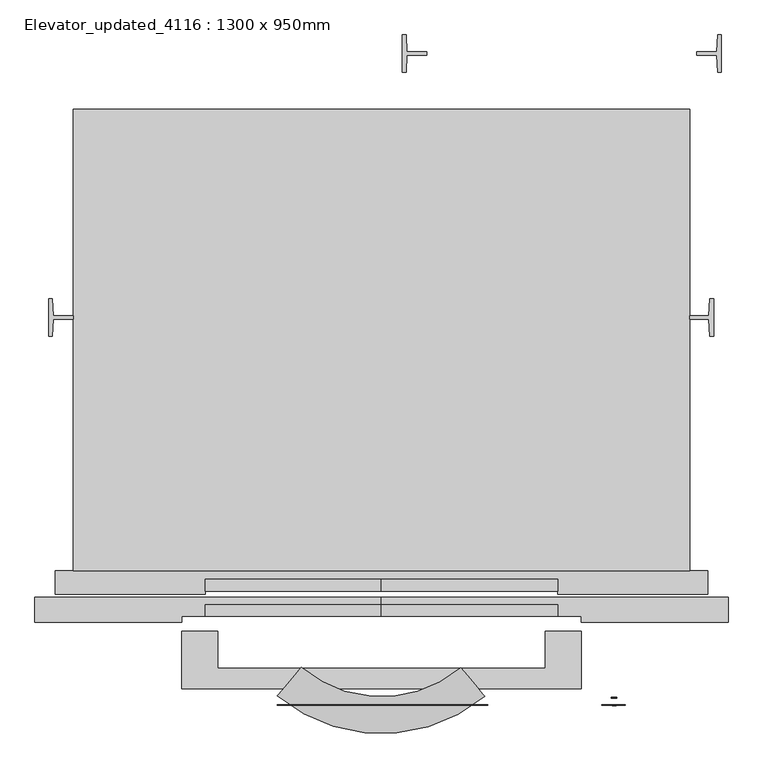
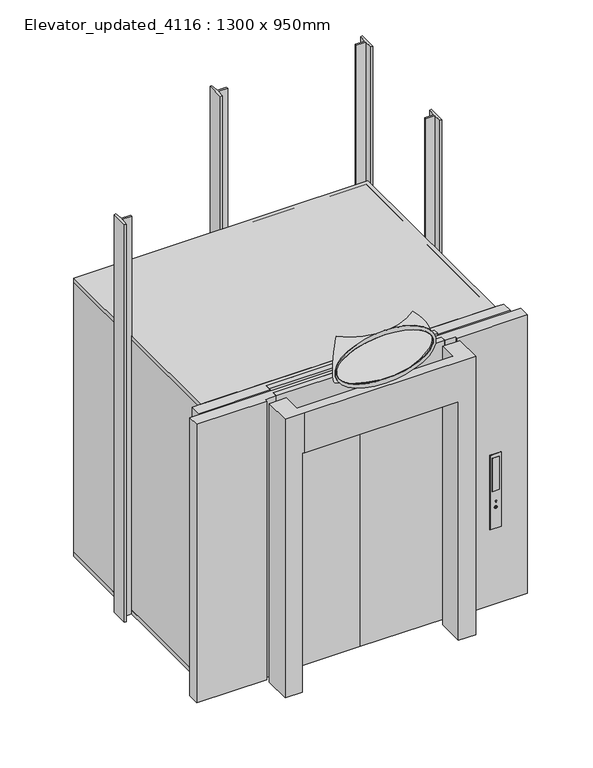
"""IFC4 building model written with IfcOpenShell, lengths in millimetres: proxy geometry, Elevator_updated_4116 : 1300 x 950mm."""

from ifc_helpers import new_model, si_unit, point, frame, frame_2d, origin, origin_with_axes, place, context, project, spatial, polyline, circle_curve, ellipse_curve, trimmed, segment, composite_curve, outline, extrude, faceted_brep, source, transform, mapped, element, save
from ifc_brep_helpers import plane_surface, revolved_surface, extruded_surface, advanced_brep


def elevator_updated_4116_1300_x_950mm_07558fe1(model_context):
    return source(origin(), model_context, "Body", "SolidModel", [
        advanced_brep(
        [(500.8311755, -452.698127, 2539.1396764), (500.8311755, -452.698127, 2199.1396764), (-42.5298936, -450.9235844, 2539.1396764), (-42.5298936, -450.9235844, 2199.1396764)],
        [
            (0, 1, circle_curve(frame((468.7185736, -414.1006251, 2369.1396764), z_axis=(0.768730212995733, 0.6395731855132256, 0.0), x_axis=(-0.6395731855132256, 0.768730212995733, 0.0)), 177.259658)),
            (1, 0),
            (2, 3),
            (3, 2, circle_curve(frame((-10.1658711, -412.5366542, 2369.1396764), z_axis=(-0.7645363428998604, 0.6445806236502203, 0.0), x_axis=(0.6445806236502203, 0.7645363428998604, 0.0)), 177.259658)),
            (3, 1, circle_curve(frame((230.2100339, -127.4270673, 2199.1396764), z_axis=(0.0, 0.0, 1.0), x_axis=(0.6395731855132256, -0.768730212995733, 0.0)), 423.1277166)),
            (0, 2, circle_curve(frame((230.2100339, -127.4270673, 2539.1396764), z_axis=(0.0, 0.0, -1.0), x_axis=(0.6395731855132256, -0.768730212995733, 0.0)), 423.1277166)),
        ],
        [
            plane_surface(frame((230.2100339, -127.4270673, 1800.0), z_axis=(0.7687302129957331, 0.6395731855132257, 0.0), x_axis=(0.6395731855132257, -0.7687302129957331, 0.0))),
            plane_surface(frame((230.2100339, -127.4270673, 1800.0), z_axis=(-0.7645363428998605, 0.6445806236502204, 0.0), x_axis=(-0.6445806236502204, -0.7645363428998605, 0.0))),
            revolved_surface(trimmed(ellipse_curve(frame((468.7185736, -414.1006251, 2369.1396764), z_axis=(0.768730212995733, 0.6395731855132256, 0.0), x_axis=(-0.6395731855132256, 0.768730212995733, 0.0)), 177.259658, 177.259658), [point((500.8311755, -452.698127, 2539.1396764))], [point((500.8311755, -452.698127, 2199.1396764))], True, "CARTESIAN"), (230.2100339, -127.4270673, 1800.0), (0.0, 0.0, -1.0)),
            revolved_surface(polyline([(500.83117548479936, -452.6981270063161, 2199.1396764), (500.83117548479936, -452.6981270063161, 2539.1396764)]), (230.2100339, -127.4270673, 1800.0), (0.0, 0.0, -1.0)),
        ],
        [
            (0, [[1, 2]]),
            (1, [[3, 4]]),
            (2, [[5, -1, 6, -4]]),
            (3, [[-6, -2, -5, -3]]),
        ],
    ),
        extrude(outline(polyline([(1387.8068056, 1575.5467426), (1374.8068533, 1575.5467426), (1371.8068533, 1632.7467425), (1304.3067824, 1632.7467425), (1304.3067824, 1645.2423587), (1371.893071, 1645.2423587), (1374.8068532, 1702.5467426), (1387.8068056, 1702.5467426), (1387.8068056, 1575.5467426)])), origin_with_axes(), (0.0, 0.0, 1.0), 3000.0),
        extrude(outline(polyline([(300.8067593, 1575.5467426), (300.8067593, 1702.5467426), (313.8067116, 1702.5467426), (316.7204939, 1645.2423587), (384.3067824, 1645.2423587), (384.3067824, 1632.7467425), (316.8067116, 1632.7467425), (313.8067116, 1575.5467426), (300.8067593, 1575.5467426)])), origin_with_axes(), (0.0, 0.0, 1.0), 3000.0),
        extrude(outline(polyline([(1361.2100334, 676.4135645), (1348.2100334, 676.4135645), (1345.2100334, 733.6132247), (1280.2100339, 733.6132247), (1280.2100339, 746.1088408), (1345.2962512, 746.1088408), (1348.2100334, 803.4135645), (1361.2100334, 803.4135645), (1361.2100334, 676.4135645)])), origin_with_axes(), (0.0, 0.0, 1.0), 3000.0),
        extrude(outline(polyline([(-903.2899892, 676.4132248), (-903.2899892, 803.4132248), (-890.2900369, 803.4132248), (-887.3762547, 746.1088408), (-819.7899661, 746.1088408), (-819.7899661, 733.6132247), (-887.2900369, 733.6132247), (-890.2900369, 676.4132248), (-903.2899892, 676.4132248)])), origin_with_axes(), (0.0, 0.0, 1.0), 3000.0),
        faceted_brep([(-310.0035134, -523.0264029, 2100.0), (910.4235812, -523.0264029, 2100.0), (910.4235812, -327.6050169, 2100.0), (787.4235812, -327.6050169, 2100.0), (787.4235812, -453.0264029, 2100.0), (-327.0035134, -453.0264029, 2100.0), (-327.0035134, -327.6050169, 2100.0), (-450.0035134, -327.6050169, 2100.0), (-450.0035134, -523.0264029, 2100.0), (-450.0035134, -523.0264029, 0.0), (-450.0035134, -327.6050169, 0.0), (-327.0035134, -327.6050169, 0.0), (-327.0035134, -523.0264029, 0.0), (787.4235812, -523.0264029, 0.0), (787.4235812, -327.6050169, 0.0), (910.4235812, -327.6050169, 0.0), (910.4235812, -523.0264029, 0.0), (-310.0035134, -523.0264029, 1800.0), (787.4235812, -523.0264029, 1800.0), (787.4235812, -453.0264029, 1800.0), (-327.0035134, -453.0264029, 1800.0), (-327.0035134, -523.0264029, 1800.0)], [[[0, 1, 2, 3, 4, 5, 6, 7, 8]], [[9, 10, 11, 12]], [[13, 14, 15, 16]], [[1, 0, 17, 18, 13, 16]], [[2, 1, 16, 15]], [[14, 3, 2, 15]], [[4, 3, 14, 13, 18, 19]], [[5, 4, 19, 20]], [[6, 5, 20, 21, 12, 11]], [[7, 6, 11, 10]], [[8, 7, 10, 9]], [[0, 8, 9, 12, 21, 17]], [[19, 18, 17, 21, 20]]]),
        advanced_brep(
        [(233.3228665, -579.7050169, 2167.0744476), (233.3228665, -579.7050169, 2567.0744476), (229.9265002, -579.7050169, 2534.0843368), (229.9265002, -579.7050169, 2201.6396764), (233.3228665, -577.6050169, 2167.0744476), (233.3228665, -577.6050169, 2567.0744476), (229.9265002, -577.6050169, 2534.0843368), (229.9265002, -577.6050169, 2201.6396764)],
        [
            (0, 1, ellipse_curve(frame((233.3228665, -579.7050169, 2367.0744476), z_axis=(0.0, -1.0, 0.0), x_axis=(-1.0, 0.0, 0.0)), 360.0, 200.0)),
            (1, 0, ellipse_curve(frame((233.3228665, -579.7050169, 2367.0744476), z_axis=(0.0, -1.0, 0.0), x_axis=(-1.0, 0.0, 0.0)), 360.0, 200.0)),
            (2, 3, ellipse_curve(frame((229.9265002, -579.7050169, 2367.8620066), z_axis=(0.0, 1.0, 0.0), x_axis=(-1.0, 0.0, 0.0)), 345.0, 166.2223302)),
            (3, 2, ellipse_curve(frame((229.9265002, -579.7050169, 2367.8620066), z_axis=(0.0, 1.0, 0.0), x_axis=(-1.0, 0.0, 0.0)), 345.0, 166.2223302)),
            (4, 5, ellipse_curve(frame((233.3228665, -577.6050169, 2367.0744476), z_axis=(0.0, 1.0, 0.0), x_axis=(0.0, 0.0, 1.0)), 200.0, 360.0)),
            (5, 4, ellipse_curve(frame((233.3228665, -577.6050169, 2367.0744476), z_axis=(0.0, 1.0, 0.0), x_axis=(0.0, 0.0, 1.0)), 200.0, 360.0)),
            (6, 7, ellipse_curve(frame((229.9265002, -577.6050169, 2367.8620066), z_axis=(0.0, -1.0, 0.0), x_axis=(-1.0, 0.0, 0.0)), 345.0, 166.2223302)),
            (7, 6, ellipse_curve(frame((229.9265002, -577.6050169, 2367.8620066), z_axis=(0.0, -1.0, 0.0), x_axis=(-1.0, 0.0, 0.0)), 345.0, 166.2223302)),
            (0, 4),
            (5, 1),
            (2, 6),
            (7, 3),
        ],
        [
            plane_surface(frame((233.3228665, -579.7050169, 2567.0744476), z_axis=(0.0, -1.0, 0.0), x_axis=(-1.0, 0.0, 0.0))),
            plane_surface(frame((233.3228665, -577.6050169, 2567.0744476), z_axis=(0.0, 1.0, 0.0), x_axis=(1.0, 0.0, 0.0))),
            extruded_surface(trimmed(ellipse_curve(frame((233.3228665, -575.5050169, 2367.0744476), z_axis=(0.0, -1.0, 0.0), x_axis=(0.0, 0.0, 1.0)), 200.0, 360.0), [point((233.3228665, -575.5050169, 2167.0744476))], [point((233.3228665, -575.5050169, 2567.0744476))], True, "CARTESIAN"), (0.0, -2.1000000000000227, 0.0), 2.1000000000000227),
            extruded_surface(trimmed(ellipse_curve(frame((233.3228665, -575.5050169, 2367.0744476), z_axis=(0.0, -1.0, 0.0), x_axis=(0.0, 0.0, 1.0)), 200.0, 360.0), [point((233.3228665, -575.5050169, 2567.0744476))], [point((233.3228665, -575.5050169, 2167.0744476))], True, "CARTESIAN"), (0.0, -2.1000000000000227, 0.0), 2.1000000000000227),
            extruded_surface(trimmed(ellipse_curve(frame((229.9265002, -325.5050169, 2367.8620066), z_axis=(0.0, 1.0, 0.0), x_axis=(0.0, 0.0, -1.0)), 166.2223302, 345.0), [point((229.9265002, -325.5050169, 2534.0843368))], [point((229.9265002, -325.5050169, 2201.6396764))], True, "CARTESIAN"), (0.0, -2.1000000000000227, 0.0), 2.1000000000000227),
            extruded_surface(trimmed(ellipse_curve(frame((229.9265002, -325.5050169, 2367.8620066), z_axis=(0.0, 1.0, 0.0), x_axis=(0.0, 0.0, -1.0)), 166.2223302, 345.0), [point((229.9265002, -325.5050169, 2201.6396764))], [point((229.9265002, -325.5050169, 2534.0843368))], True, "CARTESIAN"), (0.0, -2.1000000000000227, 0.0), 2.1000000000000227),
        ],
        [
            (0, [[1, 2], [3, 4]]),
            (1, [[5, 6], [7, 8]]),
            (2, [[-1, 9, -6, 10]]),
            (3, [[-2, -10, -5, -9]]),
            (4, [[-3, 11, -8, 12]]),
            (5, [[-4, -12, -7, -11]]),
        ],
    ),
        extrude(outline(polyline([(1008.9127767, 1021.7785059), (995.0524506, 1021.7785059), (995.0524506, 1022.5772134), (1008.9127767, 1022.5772134), (1004.977049, 1028.1980152), (1005.5866656, 1028.8076319), (1010.2288821, 1022.1778597), (1005.5866656, 1015.5480875), (1004.977049, 1016.1577041), (1008.9127767, 1021.7785059)])), frame((0.0, -580.7098941, 0.0), z_axis=(0.0, 1.0, 0.0), x_axis=(0.0, 0.0, 1.0)), (0.0, 0.0, 1.0), 1.8423941),
        extrude(outline(polyline([(951.1921246, 1021.7785059), (955.1278523, 1016.1577041), (954.5182357, 1015.5480875), (949.8760192, 1022.1778597), (954.5182357, 1028.8076319), (955.1278523, 1028.1980152), (951.1921246, 1022.5772134), (965.0524506, 1022.5772134), (965.0524506, 1021.7785059), (951.1921246, 1021.7785059)])), frame((0.0, -580.7098941, 0.0), z_axis=(0.0, 1.0, 0.0), x_axis=(0.0, 0.0, 1.0)), (0.0, 0.0, 1.0), 1.8423941),
        extrude(outline(composite_curve([segment(trimmed(circle_curve(frame_2d((958.0344126, 1022.0419434)), 10.0), [point((958.0344126, 1012.0419434))], [point((958.0344126, 1032.0419434))], False, "CARTESIAN"), True, "CONTINUOUS"), segment(trimmed(circle_curve(frame_2d((958.0344126, 1022.0419434)), 10.0), [point((958.0344126, 1032.0419434))], [point((958.0344126, 1012.0419434))], False, "CARTESIAN"), True, "CONTINUOUS")], self_intersect=False)), frame((0.0, -554.719947, 0.0), z_axis=(0.0, 1.0, 0.0), x_axis=(0.0, 0.0, 1.0)), (0.0, 0.0, 1.0), 2.1149301),
        extrude(outline(polyline([(1045.8573152, -579.719947), (995.8573152, -579.719947), (995.8573152, -577.6050169), (1045.8573152, -577.6050169), (1045.8573152, -579.719947)])), frame((0.0, 0.0, 1084.2103885), z_axis=(0.0, 0.0, 1.0), x_axis=(1.0, 0.0, 0.0)), (0.0, 0.0, 1.0), 250.0),
        extrude(outline(composite_curve([segment(trimmed(circle_curve(frame_2d((958.0344126, 1022.0419434)), 10.0), [point((958.0344126, 1012.0419434))], [point((958.0344126, 1032.0419434))], False, "CARTESIAN"), True, "CONTINUOUS"), segment(trimmed(circle_curve(frame_2d((958.0344126, 1022.0419434)), 10.0), [point((958.0344126, 1032.0419434))], [point((958.0344126, 1012.0419434))], False, "CARTESIAN"), True, "CONTINUOUS")], self_intersect=False)), frame((0.0, -554.719947, 0.0), z_axis=(0.0, 1.0, 0.0), x_axis=(0.0, 0.0, 1.0)), (0.0, 0.0, 1.0), 2.1149301),
        extrude(outline(composite_curve([segment(trimmed(circle_curve(frame_2d((1003.0344126, 1022.0419434)), 10.0), [point((1003.0344126, 1012.0419434))], [point((1003.0344126, 1032.0419434))], False, "CARTESIAN"), True, "CONTINUOUS"), segment(trimmed(circle_curve(frame_2d((1003.0344126, 1022.0419434)), 10.0), [point((1003.0344126, 1032.0419434))], [point((1003.0344126, 1012.0419434))], False, "CARTESIAN"), True, "CONTINUOUS")], self_intersect=False)), frame((0.0, -555.7098941, 0.0), z_axis=(0.0, 1.0, 0.0), x_axis=(0.0, 0.0, 1.0)), (0.0, 0.0, 1.0), 1.8423941),
        extrude(outline(polyline([(1360.0, 980.8185967), (800.0, 980.8185967), (800.0, 1060.8185967), (1360.0, 1060.8185967), (1360.0, 980.8185967)]), holes=[composite_curve([segment(trimmed(circle_curve(frame_2d((958.0344126, 1022.0419434)), 10.0), [point((958.0344126, 1032.0419434))], [point((958.0344126, 1012.0419434))], True, "CARTESIAN"), True, "CONTINUOUS"), segment(trimmed(circle_curve(frame_2d((958.0344126, 1022.0419434)), 10.0), [point((958.0344126, 1012.0419434))], [point((958.0344126, 1032.0419434))], True, "CARTESIAN"), True, "CONTINUOUS")], self_intersect=False)]), frame((0.0, -579.719947, 0.0), z_axis=(0.0, 1.0, 0.0), x_axis=(0.0, 0.0, 1.0)), (0.0, 0.0, 1.0), 2.1149301),
        extrude(outline(polyline([(1280.2100339, 1449.0781578), (1280.2100339, -122.3299298), (-819.7899661, -122.3299298), (-819.7899661, 1449.0781578), (1280.2100339, 1449.0781578)])), frame((0.0, 0.0, 2070.0), z_axis=(0.0, 0.0, 1.0), x_axis=(1.0, 0.0, 0.0)), (0.0, 0.0, 1.0), 30.0),
        extrude(outline(polyline([(1280.2100339, 1449.0781578), (1280.2100339, -122.3299298), (-819.7899661, -122.3299298), (-819.7899661, 1449.0781578), (1280.2100339, 1449.0781578)])), origin_with_axes(), (0.0, 0.0, 1.0), 30.0),
        extrude(outline(polyline([(230.2100339, -190.9218422), (230.2100339, -150.9218422), (830.2100339, -150.9218422), (830.2100339, -190.9218422), (230.2100339, -190.9218422)])), origin_with_axes(), (0.0, 0.0, 1.0), 2100.0),
        extrude(outline(polyline([(230.2100339, -190.9218422), (-369.7899661, -190.9218422), (-369.7899661, -150.9218422), (230.2100339, -150.9218422), (230.2100339, -190.9218422)])), origin_with_axes(), (0.0, 0.0, 1.0), 2100.0),
        extrude(outline(polyline([(230.2100339, -277.3299298), (230.2100339, -237.3299298), (830.2100339, -237.3299298), (830.2100339, -277.3299298), (230.2100339, -277.3299298)])), origin_with_axes(), (0.0, 0.0, 1.0), 2100.0),
        extrude(outline(polyline([(230.2100339, -277.3299298), (-369.7899661, -277.3299298), (-369.7899661, -237.3299298), (230.2100339, -237.3299298), (230.2100339, -277.3299298)])), origin_with_axes(), (0.0, 0.0, 1.0), 2100.0),
        extrude(outline(polyline([(230.2100339, -212.3299298), (1410.2100339, -212.3299298), (1410.2100339, -297.3299298), (910.2100339, -297.3299298), (910.2100339, -277.3299298), (830.2100339, -277.3299298), (830.2100339, -237.3299298), (230.2100339, -237.3299298), (230.2100339, -212.3299298)])), origin_with_axes(), (0.0, 0.0, 1.0), 2100.0),
        extrude(outline(polyline([(230.2100339, -212.3299298), (230.2100339, -237.3299298), (-369.7899661, -237.3299298), (-369.7899661, -277.3299298), (-449.7899661, -277.3299298), (-449.7899661, -297.3299298), (-949.7899661, -297.3299298), (-949.7899661, -212.3299298), (230.2100339, -212.3299298)])), origin_with_axes(), (0.0, 0.0, 1.0), 2100.0),
        extrude(outline(polyline([(-819.7899661, 1449.0781578), (1280.2100339, 1449.0781578), (1280.2100339, -122.3299298), (1341.4271595, -122.3299298), (1341.4271595, -202.3299298), (830.2100339, -202.3299298), (830.2100339, -150.9218422), (-369.7899661, -150.9218422), (-369.7899661, -202.3299298), (-881.0070918, -202.3299298), (-881.0070918, -122.3299298), (-819.7899661, -122.3299298), (-819.7899661, 1449.0781578)]), holes=[polyline([(-789.7899661, -120.9218422), (1250.2100339, -120.9218422), (1250.2100339, -120.5690804), (776.5730008, -120.5690804), (776.5730008, -70.2163186), (1241.5730008, -70.2163186), (1250.2100339, -70.2163186), (1250.2100339, 1419.0781578), (-789.7899661, 1419.0781578), (-789.7899661, -70.2163186), (-781.1529331, -70.2163186), (-316.1529331, -70.2163186), (-316.1529331, -120.5690804), (-789.7899661, -120.5690804), (-789.7899661, -120.9218422)])]), origin_with_axes(), (0.0, 0.0, 1.0), 2100.0),
    ])


if __name__ == "__main__":
    model = new_model("IFC4")
    model_context = context("Model", 3, world=origin())
    ifc_project = project(units=[si_unit("LENGTHUNIT", "METRE", prefix="MILLI")], contexts=[model_context])
    site = spatial("IfcSite", under=ifc_project)
    building = spatial("IfcBuilding", under=site)
    placement = place(None, origin())
    elevator_updated_4116_1300_x_950mm_shape = elevator_updated_4116_1300_x_950mm_07558fe1(model_context)
    element("IfcBuildingElementProxy", 1, Name="Elevator_updated_4116 : 1300 x 950mm", ObjectType="Elevator_updated_4116 : 1300 x 950mm", at=placement, inside=building, context=model_context, shape_type="MappedRepresentation", body=[
        mapped(elevator_updated_4116_1300_x_950mm_shape, transform((0.0, 0.0, 0.0), x_axis=(1.0, 0.0, 0.0), y_axis=(0.0, 1.0, 0.0), z_axis=(0.0, 0.0, 1.0))),
    ])
    save(model, "model.ifc")
